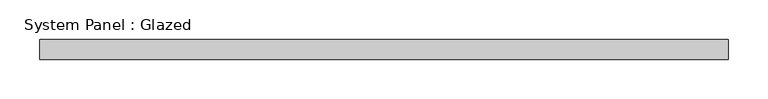
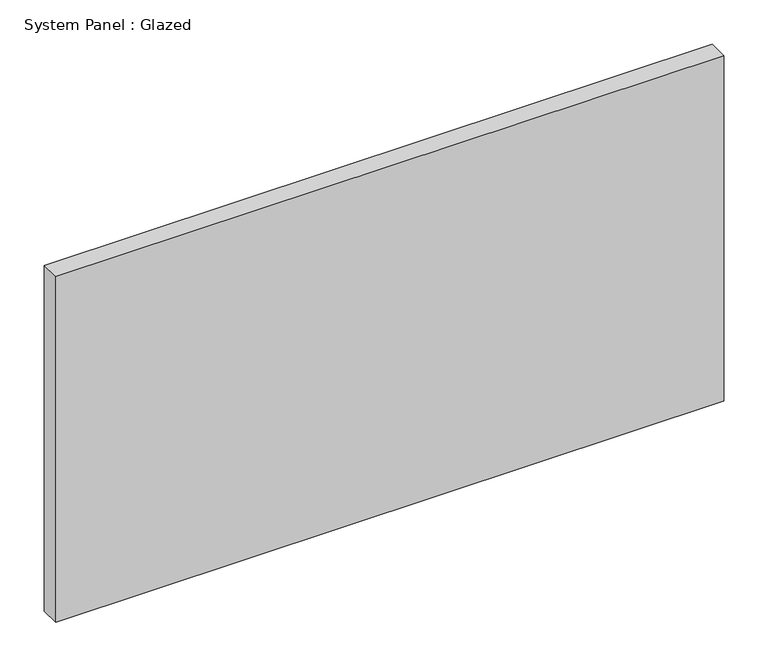
"""IFC4 building model written with IfcOpenShell, lengths in millimetres: plate geometry, System Panel : Glazed."""

from ifc_helpers import new_model, si_unit, origin, origin_with_axes, place, context, project, spatial, polyline, outline, extrude, source, transform, mapped, element, save


def system_panel_glazed_989c84f8(model_context):
    return source(origin(), model_context, "Body", "SweptSolid", [
        extrude(outline(polyline([(434.975, -12.7), (-434.975, -12.7), (-434.975, 12.7), (434.975, 12.7), (434.975, -12.7)])), origin_with_axes(), (0.0, 0.0, 1.0), 476.25),
    ])


if __name__ == "__main__":
    model = new_model("IFC4")
    model_context = context("Model", 3, world=origin())
    ifc_project = project(units=[si_unit("LENGTHUNIT", "METRE", prefix="MILLI")], contexts=[model_context])
    site = spatial("IfcSite", under=ifc_project)
    building = spatial("IfcBuilding", under=site)
    placement = place(None, origin())
    system_panel_glazed_shape = system_panel_glazed_989c84f8(model_context)
    element("IfcPlate", 1, ObjectType="System Panel : Glazed", at=placement, inside=building, context=model_context, shape_type="MappedRepresentation", body=[
        mapped(system_panel_glazed_shape, transform((0.0, 0.0, 0.0), x_axis=(1.0, 0.0, 0.0), y_axis=(0.0, 1.0, 0.0), z_axis=(0.0, 0.0, 1.0))),
    ])
    save(model, "model.ifc")
